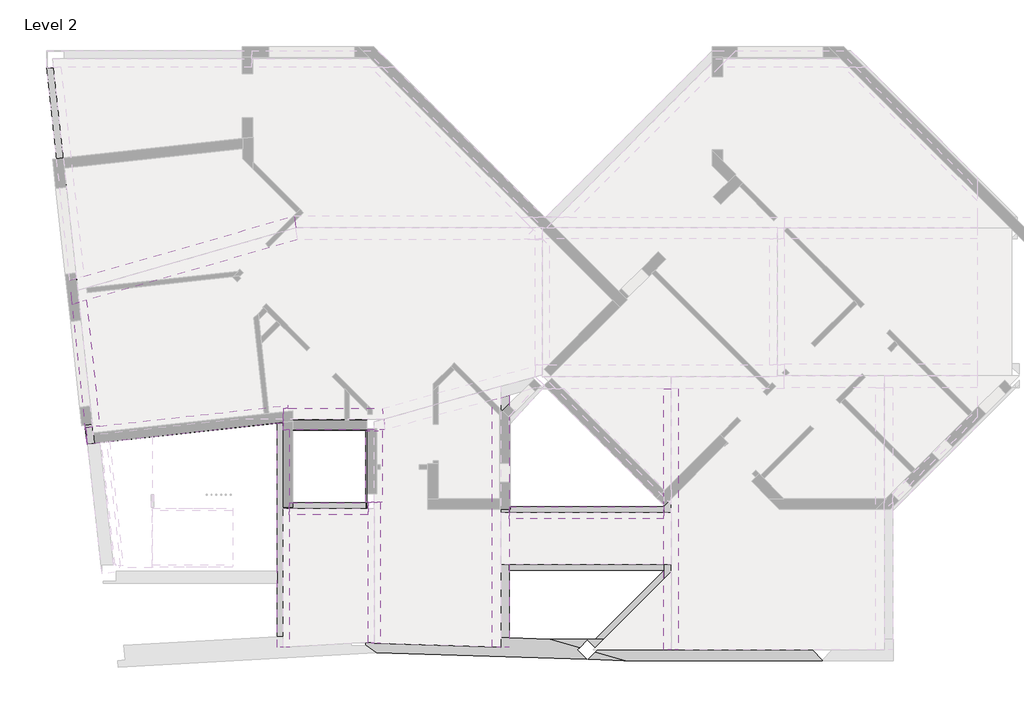
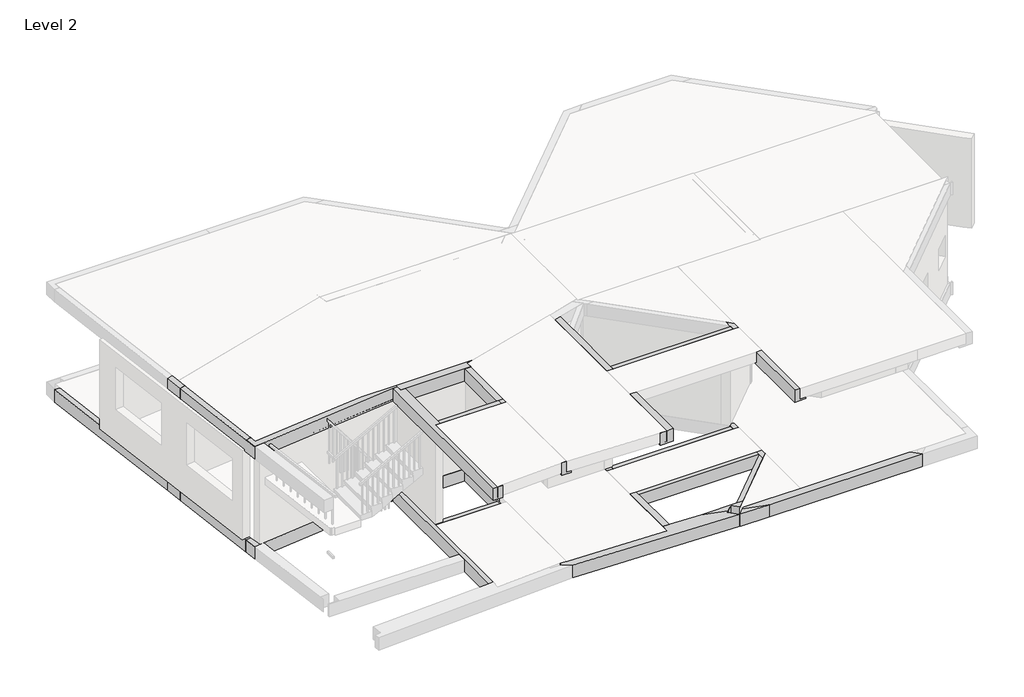
# One storey, part 3 of 5: 27 beams.
"""IFC4 building model written with IfcOpenShell, lengths in millimetres."""

from ifc_helpers import new_model, si_unit, frame, origin, place, context, project, spatial, polyline, outline, extrude, faceted_brep, element, save

model = new_model("IFC4")

# Units and contexts
model_context = context("Model", 3, world=origin())
ifc_project = project(units=[si_unit("LENGTHUNIT", "METRE", prefix="MILLI")], contexts=[model_context])

# Site, building, storey
site = spatial("IfcSite", under=ifc_project)
building = spatial("IfcBuilding", under=site)
storey = spatial("IfcBuildingStorey", under=building, Name="Level 2", Elevation=4250.0)

# Beams
placement = place(None, origin())
element("IfcBeam", 1, ObjectType="Concrete-Rectangular Beam : 250 x 350mm 2", at=placement, inside=storey, context=model_context, shape_type="Brep", body=[
    faceted_brep([(4889.0, -7749.0, 4250.0), (4779.7197329, -7749.0, 4250.0), (4779.7197329, -7594.5403157, 4250.0), (4639.0, -7609.9892601, 4250.0), (4639.0, -10707.0, 4250.0), (4639.0, -10957.0, 4250.0), (4639.0, -12075.9701133, 4250.0), (4764.0, -12069.0124413, 4250.0), (4764.0, -9394.0, 4250.0), (4889.0, -9394.0, 4250.0), (4889.0, -9269.0, 4250.0), (4639.0, -12075.9701133, 3900.0), (4639.0, -7609.9892601, 3900.0), (4639.0, -10707.0, 3900.0), (4639.0, -10957.0, 3900.0), (4779.7197329, -7749.0, 3900.0), (4889.0, -7749.0, 3900.0), (4889.0, -9269.0, 3900.0), (4889.0, -9519.0, 3900.0), (4889.0, -12062.0547694, 3900.0), (4779.7197329, -7594.5403157, 3900.0), (4889.0, -9394.0, 3950.0), (4889.0, -9519.0, 3950.0), (4889.0, -12062.0547694, 3950.0), (4764.0, -12069.0124413, 3950.0), (4764.0, -9394.0, 3950.0)], [[[0, 1, 2, 3, 4, 5, 6, 7, 8, 9, 10]], [[11, 6, 5, 4, 3, 12, 13, 14]], [[15, 16, 17, 18, 19, 11, 14, 13, 12, 20]], [[16, 0, 10, 9, 21, 22, 23, 19, 18, 17]], [[15, 1, 0, 16]], [[6, 11, 19, 23, 24, 7]], [[3, 2, 20, 12]], [[1, 15, 20, 2]], [[21, 25, 24, 23, 22]], [[25, 8, 7, 24]], [[8, 25, 21, 9]]]),
    faceted_brep([(4779.7197329, -7538.9174845, 4250.0), (4779.7197329, -7538.9174845, 3900.0), (4779.7197329, -7523.5, 3900.0), (4779.7197329, -7523.5, 3950.0), (4779.7197329, -7524.0, 3950.0), (4779.7197329, -7524.0, 4250.0), (4778.0820138, -7524.0, 4250.0), (4778.0820138, -7524.0, 3950.0), (4778.0271212, -7523.5, 3950.0), (4778.0271212, -7523.5, 3900.0)], [[[0, 1, 2, 3, 4, 5]], [[1, 0, 6, 7, 8, 9]], [[0, 5, 6]], [[2, 1, 9]], [[2, 9, 8, 3]], [[7, 4, 3, 8]], [[4, 7, 6, 5]]]),
])
element("IfcBeam", 2, ObjectType="Concrete-Rectangular Beam : 250 x 350mm 2", at=placement, inside=storey, context=model_context, shape_type="SweptSolid", body=[
    extrude(outline(polyline([(6789.0, -12013.9651964), (6539.0, -12006.0891511), (6539.0, -9519.0), (6789.0, -9519.0), (6789.0, -12013.9651964)])), frame((0.0, 0.0, 3900.0), z_axis=(0.0, 0.0, 1.0), x_axis=(1.0, 0.0, 0.0)), (0.0, 0.0, 1.0), 50.0),
])
element("IfcBeam", 3, ObjectType="Concrete-Rectangular Beam : 250 x 350mm 2", at=placement, inside=storey, context=model_context, shape_type="SweptSolid", body=[
    extrude(outline(polyline([(-9269.0, 3900.0), (-9519.0, 3900.0), (-9519.0, 3950.0), (-9394.0, 3950.0), (-9394.0, 4250.0), (-9269.0, 4250.0), (-9269.0, 3900.0)])), frame((4889.0, 0.0, 0.0), z_axis=(1.0, 0.0, 0.0), x_axis=(0.0, 1.0, 0.0)), (0.0, 0.0, 1.0), 1600.0),
])
element("IfcBeam", 4, ObjectType="Concrete-Rectangular Beam : 250 x 350mm 2", at=placement, inside=storey, context=model_context, shape_type="SweptSolid", body=[
    extrude(outline(polyline([(-10681.5, 3900.0), (-10681.5, 4250.0), (-10556.5, 4250.0), (-10556.5, 3950.0), (-10431.5, 3950.0), (-10431.5, 3900.0), (-10681.5, 3900.0)])), frame((9491.0, 0.0, 0.0), z_axis=(1.0, 0.0, 0.0), x_axis=(0.0, 1.0, 0.0)), (0.0, 0.0, 1.0), 3240.0),
])
element("IfcBeam", 5, ObjectType="Concrete-Rectangular Beam : 250 x 350mm 2", at=placement, inside=storey, context=model_context, shape_type="SweptSolid", body=[
    extrude(outline(polyline([(-9358.0, 3900.0), (-9608.0, 3900.0), (-9608.0, 3950.0), (-9483.0, 3950.0), (-9483.0, 4250.0), (-9358.0, 4250.0), (-9358.0, 3900.0)])), frame((9491.0, 0.0, 0.0), z_axis=(1.0, 0.0, 0.0), x_axis=(0.0, 1.0, 0.0)), (0.0, 0.0, 1.0), 3240.0),
])
element("IfcBeam", 6, ObjectType="Concrete-Rectangular Beam : 250 x 350mm 2", at=placement, inside=storey, context=model_context, shape_type="Brep", body=[
    faceted_brep([(12731.0, -10690.5282898, 4250.0), (11295.1125705, -12125.7521853, 4250.0), (11471.9301343, -12125.7521853, 4250.0), (12731.0, -10867.2641449, 4250.0), (11648.7476981, -12125.7521853, 3900.0), (12731.0, -11044.0, 3900.0), (12731.0, -11044.0, 3950.0), (11648.7476981, -12125.7521853, 3950.0), (11295.1125705, -12125.7521853, 3900.0), (12731.0, -10690.5282898, 3900.0), (11471.9301343, -12125.7521853, 3950.0), (12731.0, -10867.2641449, 3950.0)], [[[0, 1, 2, 3]], [[4, 5, 6, 7]], [[4, 8, 9, 5]], [[8, 1, 0, 9]], [[8, 4, 7, 10, 2, 1]], [[5, 9, 0, 3, 11, 6]], [[11, 10, 7, 6]], [[10, 11, 3, 2]]]),
])
element("IfcBeam", 7, ObjectType="Concrete-Rectangular Beam : 250 x 350mm 2", at=placement, inside=storey, context=model_context, shape_type="Brep", body=[
    faceted_brep([(4639.0, -12294.360718, 7100.0), (4639.0, -12294.360718, 6750.0), (4889.0, -12294.360718, 6750.0), (4889.0, -12294.360718, 7100.0), (4764.0, -12294.360718, 7100.0), (4889.0, -12287.4030461, 7100.0), (4639.0, -7609.9892601, 7100.0), (4639.0, -7609.9892601, 6750.0), (4764.0, -7596.2661098, 6750.0), (4764.0, -7749.0, 6750.0), (4889.0, -7749.0, 6750.0), (4889.0, -9269.0, 6750.0), (4889.0, -9519.0, 6750.0), (4889.0, -7749.0, 7100.0), (4889.0, -9269.0, 7100.0), (4889.0, -9394.0, 7100.0), (4889.0, -9394.0, 6800.0), (4889.0, -9519.0, 6800.0), (4889.0, -12287.4030461, 6800.0), (4764.0, -7749.0, 7100.0), (4764.0, -9394.0, 6800.0), (4764.0, -12294.360718, 6800.0), (4764.0, -9394.0, 7100.0), (4764.0, -7596.2661098, 7100.0)], [[[0, 1, 2, 3, 4]], [[4, 3, 5]], [[1, 0, 6, 7]], [[2, 1, 7, 8, 9, 10, 11, 12]], [[3, 2, 12, 11, 10, 13, 14, 15, 16, 17, 18, 5]], [[19, 13, 10, 9]], [[20, 21, 18, 17, 16]], [[21, 20, 22, 4]], [[22, 20, 16, 15]], [[21, 4, 5, 18]], [[13, 19, 23, 6, 0, 4, 22, 15, 14]], [[19, 9, 8, 23]], [[7, 6, 23, 8]]]),
    faceted_brep([(4889.0, -7299.0, 6800.0), (4889.0, -7255.4934309, 6800.0), (4855.5020869, -7255.4934309, 6800.0), (4860.2784645, -7299.0, 6800.0), (4889.0, -7299.0, 6750.0), (4860.2784645, -7299.0, 6750.0), (4889.0, -7255.4934309, 6750.0), (4855.5020869, -7255.4934309, 6750.0)], [[[0, 1, 2, 3]], [[4, 0, 3, 5]], [[1, 6, 7, 2]], [[4, 6, 1, 0]], [[7, 5, 3, 2]], [[6, 4, 5, 7]]]),
])
element("IfcBeam", 8, ObjectType="Concrete-Rectangular Beam : 250 x 350mm 2", at=placement, inside=storey, context=model_context, shape_type="Brep", body=[
    faceted_brep([(6539.0, -12210.1264005, 7100.0), (6539.0, -12210.1264005, 6750.0), (6789.0, -12210.1264005, 6750.0), (6789.0, -12210.1264005, 6800.0), (6664.0, -12210.1264005, 6800.0), (6664.0, -12210.1264005, 7100.0), (6664.0, -12188.6041043, 7100.0), (6539.0, -12195.5617762, 7100.0), (6539.0, -12195.5617762, 6800.0), (6539.0, -9519.0, 6800.0), (6539.0, -9394.0, 6800.0), (6539.0, -9394.0, 7100.0), (6539.0, -9269.0, 7100.0), (6539.0, -9258.5, 7100.0), (6539.0, -9258.5, 6750.0), (6539.0, -9269.0, 6750.0), (6539.0, -9519.0, 6750.0), (6789.0, -9258.5, 6750.0), (6789.0, -9258.5, 6800.0), (6664.0, -12188.6041043, 6800.0), (6664.0, -9258.5, 6800.0), (6664.0, -9394.0, 6800.0), (6664.0, -9394.0, 7100.0), (6664.0, -9258.5, 7100.0)], [[[0, 1, 2, 3, 4, 5]], [[6, 7, 0, 5]], [[1, 0, 7, 8, 9, 10, 11, 12, 13, 14, 15, 16]], [[2, 1, 16, 15, 14, 17]], [[2, 17, 18, 3]], [[8, 19, 4, 3, 18, 20, 21, 10, 9]], [[4, 19, 6, 5]], [[19, 8, 7, 6]], [[10, 21, 22, 11]], [[13, 12, 11, 22, 23]], [[21, 20, 23, 22]], [[17, 14, 13, 23, 20, 18]]]),
])
element("IfcBeam", 9, ObjectType="Concrete-Rectangular Beam : 250 x 350mm 2", at=placement, inside=storey, context=model_context, shape_type="SweptSolid", body=[
    extrude(outline(polyline([(-9269.0, 6750.0), (-9519.0, 6750.0), (-9519.0, 6800.0), (-9394.0, 6800.0), (-9394.0, 7100.0), (-9269.0, 7100.0), (-9269.0, 6750.0)])), frame((4889.0, 0.0, 0.0), z_axis=(1.0, 0.0, 0.0), x_axis=(0.0, 1.0, 0.0)), (0.0, 0.0, 1.0), 1650.0),
])
element("IfcBeam", 10, ObjectType="Concrete-Rectangular Beam : 250 x 350mm 2", at=placement, inside=storey, context=model_context, shape_type="SweptSolid", body=[
    extrude(outline(polyline([(-9358.0, 6750.0), (-9608.0, 6750.0), (-9608.0, 6800.0), (-9483.0, 6800.0), (-9483.0, 7100.0), (-9358.0, 7100.0), (-9358.0, 6750.0)])), frame((9491.0, 0.0, 0.0), z_axis=(1.0, 0.0, 0.0), x_axis=(0.0, 1.0, 0.0)), (0.0, 0.0, 1.0), 3240.0),
])
element("IfcBeam", 11, ObjectType="Concrete-Rectangular Beam : 300 x 350mm 2", at=placement, inside=storey, context=model_context, shape_type="Brep", body=[
    faceted_brep([(351.0384916, -5120.9435341, 4250.0), (623.5222487, -7698.7263788, 4250.0), (772.6275926, -7682.3568184, 4250.0), (497.4328384, -5078.9270798, 4250.0), (921.7329365, -7665.987258, 3900.0), (643.8271851, -5036.9106255, 3900.0), (643.8271851, -5036.9106255, 3950.0), (921.7329365, -7665.987258, 3950.0), (623.5222487, -7698.7263788, 3900.0), (351.0384916, -5120.9435341, 3900.0), (660.3142177, -8046.7900859, 3900.0), (660.3142177, -8046.7900859, 4250.0), (772.6275926, -7682.3568184, 3950.0), (497.4328384, -5078.9270798, 3950.0), (661.7175789, -8046.6360176, 3900.0), (661.7175789, -8046.6360176, 4250.0)], [[[0, 1, 2, 3]], [[4, 5, 6, 7]], [[4, 8, 9, 5]], [[0, 9, 8, 10, 11, 1]], [[8, 4, 7, 12, 2, 1]], [[5, 9, 0, 3, 13, 6]], [[11, 10, 14, 15]], [[8, 1, 15, 14]], [[1, 11, 15]], [[10, 8, 14]], [[13, 12, 7, 6]], [[12, 13, 3, 2]]]),
])
element("IfcBeam", 12, ObjectType="Concrete-Rectangular Beam : 300 x 350mm 2", at=placement, inside=storey, context=model_context, shape_type="Brep", body=[
    faceted_brep([(-175.0, -159.0, 4250.0), (-190.5522388, -159.0, 4250.0), (299.0182391, -4615.6877743, 4250.0), (445.3083128, -4573.7012474, 4250.0), (-37.8923018, -175.0, 4250.0), (-175.0, -175.0, 4250.0), (591.5983865, -4531.7147204, 3900.0), (113.0100232, -175.0, 3900.0), (113.0100232, -175.0, 3950.0), (591.5983865, -4531.7147204, 3950.0), (-175.0, -175.0, 3900.0), (590.4601369, -4532.0414079, 3900.0), (299.0182391, -4615.6877743, 3900.0), (-190.5522388, -159.0, 3900.0), (-175.0, -159.0, 3900.0), (-37.8923018, -175.0, 3950.0), (445.3083128, -4573.7012474, 3950.0)], [[[0, 1, 2, 3, 4, 5]], [[6, 7, 8, 9]], [[10, 7, 6, 11, 12, 13, 14]], [[1, 13, 12, 2]], [[13, 1, 0, 14]], [[7, 10, 5, 4, 15, 8]], [[2, 12, 11, 6, 9, 16, 3]], [[5, 10, 14, 0]], [[15, 16, 9, 8]], [[16, 15, 4, 3]]]),
])
element("IfcBeam", 13, ObjectType="Concrete-Rectangular Beam : 300 x 350mm 2", at=placement, inside=storey, context=model_context, shape_type="Brep", body=[
    faceted_brep([(12881.0, -9300.7766953, 4250.0), (12731.0, -9150.7766953, 4250.0), (12731.0, -9327.5533906, 4250.0), (12731.0, -9358.0, 4250.0), (12731.0, -9483.0, 4250.0), (12881.0, -9483.0, 4250.0), (13031.0, -12125.7521853, 3900.0), (13031.0, -6888.0, 3900.0), (13031.0, -6888.0, 3950.0), (13031.0, -12125.7521853, 3950.0), (12731.0, -6888.0, 3900.0), (12731.0, -12125.7521853, 3900.0), (12731.0, -11044.0, 3900.0), (12731.0, -10690.5282898, 3900.0), (12731.0, -10681.5, 3900.0), (12731.0, -10431.5, 3900.0), (12731.0, -9608.0, 3900.0), (12731.0, -9358.0, 3900.0), (12731.0, -9327.5533906, 3900.0), (12731.0, -8974.0, 3900.0), (12731.0, -12125.7521853, 3950.0), (12731.0, -11044.0, 3950.0), (12731.0, -10867.2641449, 3950.0), (12731.0, -10867.2641449, 4250.0), (12731.0, -10690.5282898, 4250.0), (12731.0, -10681.5, 4250.0), (12731.0, -10556.5, 4250.0), (12731.0, -10556.5, 3950.0), (12731.0, -10431.5, 3950.0), (12731.0, -9608.0, 3950.0), (12731.0, -9483.0, 3950.0), (12731.0, -9150.7766953, 3950.0), (12731.0, -8974.0, 3950.0), (12731.0, -6888.0, 3950.0), (12881.0, -9300.7766953, 3950.0), (12881.0, -9483.0, 3950.0), (12881.0, -10556.5, 3950.0), (12881.0, -10717.333461, 3950.0), (12881.0, -10556.5, 4250.0), (12881.0, -10717.333461, 4250.0)], [[[0, 1, 2, 3, 4, 5]], [[6, 7, 8, 9]], [[10, 7, 6, 11, 12, 13, 14, 15, 16, 17, 18, 19]], [[10, 19, 18, 17, 16, 15, 14, 13, 12, 11, 20, 21, 22, 23, 24, 25, 26, 27, 28, 29, 30, 4, 3, 2, 1, 31, 32, 33]], [[7, 10, 33, 8]], [[11, 6, 9, 20]], [[31, 34, 35, 30, 29, 28, 27, 36, 37, 22, 21, 20, 9, 8, 33, 32]], [[34, 31, 1, 0]], [[36, 27, 26, 38]], [[30, 35, 5, 4]], [[22, 37, 39, 23]], [[37, 36, 38, 39]], [[38, 26, 25, 24, 23, 39]], [[35, 34, 0, 5]]]),
])
element("IfcBeam", 14, ObjectType="Concrete-Rectangular Beam : 300 x 350mm 2", at=placement, inside=storey, context=model_context, shape_type="Brep", body=[
    faceted_brep([(630.4174119, -7697.9693919, 7100.0), (631.3840831, -7697.8632657, 7100.0), (772.6275926, -7682.3568184, 7100.0), (497.4328384, -5078.9270798, 7100.0), (351.0384916, -5120.9435341, 7100.0), (660.3142177, -8046.7900859, 7100.0), (669.5794133, -8045.7729045, 7100.0), (921.7329365, -7665.987258, 6800.0), (921.7329365, -7665.987258, 6750.0), (643.8271851, -5036.9106255, 6750.0), (643.8271851, -5036.9106255, 6800.0), (351.0384916, -5120.9435341, 6750.0), (631.3840831, -7697.8632657, 6750.0), (630.4174119, -7697.9693919, 6750.0), (669.5794133, -8045.7729045, 6750.0), (660.3142177, -8046.7900859, 6750.0), (772.6275926, -7682.3568184, 6800.0), (497.4328384, -5078.9270798, 6800.0)], [[[0, 1, 2, 3, 4, 5, 6]], [[7, 8, 9, 10]], [[11, 9, 8, 12, 13, 14, 15]], [[15, 5, 4, 11]], [[0, 13, 12, 8, 7, 16, 2, 1]], [[9, 11, 4, 3, 17, 10]], [[16, 7, 10, 17]], [[3, 2, 16, 17]], [[5, 15, 14, 6]], [[13, 0, 6, 14]]]),
])
element("IfcBeam", 15, ObjectType="Concrete-Rectangular Beam : 300 x 350mm 2", at=placement, inside=storey, context=model_context, shape_type="Brep", body=[
    faceted_brep([(12731.0, -12350.7521853, 7100.0), (12731.0, -12350.7521853, 6750.0), (13031.0, -12350.7521853, 6750.0), (13031.0, -12350.7521853, 6800.0), (12881.0, -12350.7521853, 6800.0), (12881.0, -12350.7521853, 7100.0), (12881.0, -9300.7766953, 7100.0), (12731.0, -9150.7766953, 7100.0), (12731.0, -9327.5533906, 7100.0), (12731.0, -9358.0, 7100.0), (12731.0, -9483.0, 7100.0), (12881.0, -9483.0, 7100.0), (13031.0, -6888.0, 6750.0), (13031.0, -6888.0, 6800.0), (12731.0, -9608.0, 6750.0), (12731.0, -9358.0, 6750.0), (12731.0, -9327.5533906, 6750.0), (12731.0, -8974.0, 6750.0), (12731.0, -6888.0, 6750.0), (12731.0, -10556.5, 7100.0), (12731.0, -10556.5, 6800.0), (12731.0, -9608.0, 6800.0), (12731.0, -9483.0, 6800.0), (12731.0, -9150.7766953, 6800.0), (12731.0, -8974.0, 6800.0), (12731.0, -6888.0, 6800.0), (12881.0, -9300.7766953, 6800.0), (12881.0, -9483.0, 6800.0), (12881.0, -10556.5, 6800.0), (12881.0, -10556.5, 7100.0)], [[[0, 1, 2, 3, 4, 5]], [[6, 7, 8, 9, 10, 11]], [[2, 12, 13, 3]], [[2, 1, 14, 15, 16, 17, 18, 12]], [[1, 0, 19, 20, 21, 22, 10, 9, 8, 7, 23, 24, 25, 18, 17, 16, 15, 14]], [[12, 18, 25, 13]], [[23, 26, 27, 22, 21, 20, 28, 4, 3, 13, 25, 24]], [[26, 23, 7, 6]], [[28, 20, 19, 29]], [[22, 27, 11, 10]], [[4, 28, 29, 5]], [[29, 19, 0, 5]], [[27, 26, 6, 11]]]),
])
element("IfcBeam", 16, ObjectType="Concrete-Rectangular Beam : 350 x 350mm 2", at=placement, inside=storey, context=model_context, shape_type="Brep", body=[
    faceted_brep([(623.5222487, -7698.7263788, 4250.0), (661.7175789, -8046.6360176, 4250.0), (669.5794133, -8045.7729045, 4250.0), (918.0872574, -8018.4904204, 4250.0), (4639.0, -7609.9892601, 4250.0), (4779.7197329, -7594.5403157, 4250.0), (4779.7197329, -7538.9174845, 4250.0), (4778.0820138, -7524.0, 4250.0), (3818.6508279, -7524.0, 4250.0), (791.0235771, -7856.3886719, 4250.0), (772.6275926, -7682.3568184, 4250.0), (661.7175789, -8046.6360176, 3900.0), (669.5794133, -8045.7729045, 3900.0), (918.0872574, -8018.4904204, 3900.0), (4639.0, -7609.9892601, 3900.0), (4779.7197329, -7594.5403157, 3900.0), (623.5222487, -7698.7263788, 3900.0), (921.7329365, -7665.987258, 3900.0), (4614.0, -7260.6309694, 3900.0), (4614.0, -7523.5, 3900.0), (4778.0271212, -7523.5, 3900.0), (4779.7197329, -7538.9174845, 3900.0), (772.6275926, -7682.3568184, 3950.0), (921.7329365, -7665.987258, 3950.0), (4614.0, -7260.6309694, 3950.0), (4778.0271212, -7523.5, 3950.0), (4778.0820138, -7524.0, 3950.0), (4614.0, -7523.5, 3950.0), (791.0235771, -7856.3886719, 3950.0), (3818.6508279, -7524.0, 3950.0)], [[[0, 1, 2, 3, 4, 5, 6, 7, 8, 9, 10]], [[1, 11, 12, 13, 14, 15, 5, 4, 3, 2]], [[11, 16, 17, 18, 19, 20, 21, 15, 14, 13, 12]], [[16, 0, 10, 22, 23, 24, 18, 17]], [[0, 16, 11, 1]], [[6, 21, 20, 25, 26, 7]], [[6, 5, 15, 21]], [[19, 18, 24, 27]], [[20, 19, 27, 25]], [[28, 29, 26, 25, 27, 24, 23, 22]], [[29, 8, 7, 26]], [[29, 28, 9, 8]], [[9, 28, 22, 10]]]),
])
element("IfcBeam", 17, ObjectType="Concrete-Rectangular Beam : 350 x 350mm 2", at=placement, inside=storey, context=model_context, shape_type="Brep", body=[
    faceted_brep([(6514.0, -9394.0, 4250.0), (6514.0, -9083.5, 4250.0), (6664.0, -9083.5, 4250.0), (6664.0, -7749.0, 4250.0), (6489.0, -7749.0, 4250.0), (6489.0, -9269.0, 4250.0), (6489.0, -9394.0, 4250.0), (6489.0, -7749.0, 3900.0), (6489.0, -9269.0, 3900.0), (6489.0, -9519.0, 3900.0), (6489.0, -9519.0, 3950.0), (6489.0, -9394.0, 3950.0), (6690.2170503, -7749.0, 3900.0), (6690.2170503, -7723.5, 3900.0), (6709.598477, -7723.5, 3900.0), (6729.5645215, -7794.8295851, 3900.0), (6839.0, -7764.1972237, 3900.0), (6839.0, -9519.0, 3900.0), (6789.0, -9519.0, 3900.0), (6539.0, -9519.0, 3900.0), (6814.0, -9083.5, 3900.0), (6514.0, -9083.5, 3900.0), (6514.0, -9433.5, 3900.0), (6814.0, -9433.5, 3900.0), (6839.0, -7764.1972237, 3950.0), (6839.0, -9519.0, 3950.0), (6664.0, -7749.0, 3950.0), (6690.2170503, -7749.0, 3950.0), (6729.5645215, -7794.8295851, 3950.0), (6814.0, -9083.5, 3950.0), (6664.0, -9083.5, 3950.0), (6514.0, -9394.0, 3950.0), (6514.0, -9433.5, 3950.0), (6814.0, -9433.5, 3950.0), (6789.0, -9519.0, 3950.0), (6539.0, -9519.0, 3950.0), (6690.2170503, -7723.5, 3950.0), (6709.598477, -7723.5, 3950.0)], [[[0, 1, 2, 3, 4, 5, 6]], [[4, 7, 8, 9, 10, 11, 6, 5]], [[7, 12, 13, 14, 15, 16, 17, 18, 19, 9, 8], [20, 21, 22, 23]], [[17, 16, 24, 25]], [[7, 4, 3, 26, 27, 12]], [[16, 15, 28, 24]], [[1, 21, 20, 29, 30, 2]], [[21, 1, 0, 31, 32, 22]], [[20, 23, 33, 29]], [[9, 19, 18, 17, 25, 34, 35, 10]], [[23, 22, 32, 33]], [[13, 12, 27, 36]], [[15, 14, 37, 28]], [[14, 13, 36, 37]], [[31, 11, 10, 35, 34, 25, 24, 28, 37, 36, 27, 26, 30, 29, 33, 32]], [[11, 31, 0, 6]], [[30, 26, 3, 2]]]),
])
element("IfcBeam", 18, ObjectType="Concrete-Rectangular Beam : 350 x 350mm 2", at=placement, inside=storey, context=model_context, shape_type="Brep", body=[
    faceted_brep([(9316.0, -12093.576263, 4250.0), (9491.0, -12099.0894948, 4250.0), (9491.0, -10681.5, 4250.0), (9491.0, -10556.5, 4250.0), (9316.0, -10556.5, 4250.0), (9491.0, -7021.8692012, 3900.0), (9491.0, -7021.8692012, 4250.0), (9491.0, -7463.4091473, 4250.0), (9491.0, -7640.5, 4250.0), (9491.0, -9358.0, 4250.0), (9491.0, -9483.0, 4250.0), (9491.0, -9483.0, 3950.0), (9491.0, -9608.0, 3950.0), (9491.0, -10431.5, 3950.0), (9491.0, -10556.5, 3950.0), (9491.0, -12099.0894948, 3900.0), (9491.0, -10681.5, 3900.0), (9491.0, -10431.5, 3900.0), (9491.0, -9608.0, 3900.0), (9491.0, -9358.0, 3900.0), (9491.0, -7640.5, 3900.0), (9491.0, -7463.4091473, 3900.0), (9141.0, -7119.8385858, 3900.0), (9141.0, -12088.0630312, 3900.0), (9141.0, -12088.0630312, 3950.0), (9141.0, -7119.8385858, 3950.0), (9316.0, -7070.8538935, 3950.0), (9316.0, -7070.8538935, 4250.0), (9316.0, -12093.576263, 3950.0), (9316.0, -10556.5, 3950.0), (9316.0, -9483.0, 3950.0), (9316.0, -9483.0, 4250.0)], [[[0, 1, 2, 3, 4]], [[5, 6, 7, 8, 9, 10, 11, 12, 13, 14, 3, 2, 1, 15, 16, 17, 18, 19, 20, 21]], [[22, 5, 21, 20, 19, 18, 17, 16, 15, 23]], [[22, 23, 24, 25]], [[6, 5, 22, 25, 26, 27]], [[15, 1, 0, 28, 24, 23]], [[25, 24, 28, 29, 14, 13, 12, 11, 30, 26]], [[27, 26, 30, 31]], [[14, 29, 4, 3]], [[30, 11, 10, 31]], [[6, 27, 31, 10, 9, 8, 7]], [[28, 0, 4, 29]]]),
])
element("IfcBeam", 19, ObjectType="Concrete-Rectangular Beam : 350 x 350mm 2", at=placement, inside=storey, context=model_context, shape_type="Brep", body=[
    faceted_brep([(631.3840831, -7697.8632657, 7100.0), (669.5794133, -8045.7729045, 7100.0), (918.0872574, -8018.4904204, 7100.0), (4639.0, -7609.9892601, 7100.0), (4764.0, -7596.2661098, 7100.0), (4764.0, -7524.0, 7100.0), (3818.6508279, -7524.0, 7100.0), (791.0235771, -7856.3886719, 7100.0), (772.6275926, -7682.3568184, 7100.0), (669.5794133, -8045.7729045, 6750.0), (918.0872574, -8018.4904204, 6750.0), (4639.0, -7609.9892601, 6750.0), (4764.0, -7596.2661098, 6750.0), (631.3840831, -7697.8632657, 6750.0), (921.7329365, -7665.987258, 6750.0), (4853.1832865, -7234.3721837, 6750.0), (4855.5020869, -7255.4934309, 6750.0), (4860.2784645, -7299.0, 6750.0), (4764.0, -7299.0, 6750.0), (772.6275926, -7682.3568184, 6800.0), (921.7329365, -7665.987258, 6800.0), (4853.1832865, -7234.3721837, 6800.0), (4860.2784645, -7299.0, 6800.0), (4764.0, -7299.0, 6800.0), (791.0235771, -7856.3886719, 6800.0), (3818.6508279, -7524.0, 6800.0), (4764.0, -7524.0, 6800.0), (4855.5020869, -7255.4934309, 6800.0)], [[[0, 1, 2, 3, 4, 5, 6, 7, 8]], [[1, 9, 10, 11, 12, 4, 3, 2]], [[13, 14, 15, 16, 17, 18, 12, 11, 10, 9]], [[15, 14, 13, 0, 8, 19, 20, 21]], [[18, 17, 22, 23]], [[24, 25, 26, 23, 22, 27, 21, 20, 19]], [[25, 6, 5, 26]], [[25, 24, 7, 6]], [[7, 24, 19, 8]], [[0, 13, 9, 1]], [[17, 16, 15, 21, 27, 22]], [[4, 12, 18, 23, 26, 5]]]),
])
element("IfcBeam", 20, ObjectType="Concrete-Rectangular Beam : 350 x 350mm 2", at=placement, inside=storey, context=model_context, shape_type="Brep", body=[
    faceted_brep([(6839.0, -7761.7, 6750.0), (6489.0, -7761.7, 6750.0), (6489.0, -7761.7, 7100.0), (6664.0, -7761.7, 7100.0), (6664.0, -7761.7, 6800.0), (6839.0, -7761.7, 6800.0), (6489.0, -9258.5, 7100.0), (6539.0, -9258.5, 7100.0), (6664.0, -9258.5, 7100.0), (6489.0, -9258.5, 6750.0), (6839.0, -9258.5, 6750.0), (6789.0, -9258.5, 6750.0), (6539.0, -9258.5, 6750.0), (6839.0, -9258.5, 6800.0), (6664.0, -9258.5, 6800.0), (6789.0, -9258.5, 6800.0)], [[[0, 1, 2, 3, 4, 5]], [[2, 6, 7, 8, 3]], [[2, 1, 9, 6]], [[1, 0, 10, 11, 12, 9]], [[10, 0, 5, 13]], [[4, 14, 15, 13, 5]], [[14, 4, 3, 8]], [[6, 9, 12, 11, 10, 13, 15, 14, 8, 7]]]),
])
element("IfcBeam", 21, ObjectType="Concrete-Rectangular Beam : 350 x 350mm 2", at=placement, inside=storey, context=model_context, shape_type="Brep", body=[
    faceted_brep([(9141.0, -12293.6754897, 7100.0), (9141.0, -12293.6754897, 6750.0), (9491.0, -12293.6754897, 6750.0), (9491.0, -12293.6754897, 7100.0), (9316.0, -12293.6754897, 7100.0), (9141.0, -12288.162258, 7100.0), (9491.0, -9608.0, 6750.0), (9491.0, -9358.0, 6750.0), (9491.0, -7640.5, 6750.0), (9491.0, -7463.4091473, 6750.0), (9491.0, -7021.8692012, 6750.0), (9491.0, -7021.8692012, 7100.0), (9491.0, -7463.4091473, 7100.0), (9491.0, -7640.5, 7100.0), (9491.0, -9358.0, 7100.0), (9491.0, -9483.0, 7100.0), (9491.0, -9483.0, 6800.0), (9491.0, -9608.0, 6800.0), (9491.0, -10556.5, 6800.0), (9491.0, -10556.5, 7100.0), (9141.0, -7119.8385858, 6750.0), (9141.0, -12288.162258, 6800.0), (9141.0, -7119.8385858, 6800.0), (9316.0, -7070.8538935, 6800.0), (9316.0, -7070.8538935, 7100.0), (9316.0, -12293.6754897, 6800.0), (9316.0, -10556.5, 6800.0), (9316.0, -9483.0, 6800.0), (9316.0, -9483.0, 7100.0), (9316.0, -10556.5, 7100.0)], [[[0, 1, 2, 3, 4]], [[0, 4, 5]], [[3, 2, 6, 7, 8, 9, 10, 11, 12, 13, 14, 15, 16, 17, 18, 19]], [[2, 1, 20, 10, 9, 8, 7, 6]], [[1, 0, 5, 21, 22, 20]], [[11, 10, 20, 22, 23, 24]], [[22, 21, 25, 26, 18, 17, 16, 27, 23]], [[24, 23, 27, 28]], [[18, 26, 29, 19]], [[27, 16, 15, 28]], [[25, 4, 29, 26]], [[4, 25, 21, 5]], [[11, 24, 28, 15, 14, 13, 12]], [[4, 3, 19, 29]]]),
])
element("IfcBeam", 22, ObjectType="Concrete-Rectangular Beam : 400 x 350mm 2", at=placement, inside=storey, context=model_context, shape_type="Brep", body=[
    faceted_brep([(11918.1139103, -12575.7521853, 4250.0), (11294.5302535, -12398.2381858, 4250.0), (11141.4833637, -12551.2850756, 4250.0), (11918.1139103, -12575.7521853, 3900.0), (11141.4833637, -12551.2850756, 3900.0), (11294.5302535, -12398.2381858, 3900.0)], [[[0, 1, 2]], [[3, 0, 2, 4]], [[5, 3, 4]], [[2, 1, 5, 4]], [[0, 3, 5, 1]]]),
    faceted_brep([(10337.3222749, -12125.7521853, 4250.0), (10337.3222749, -12125.7521853, 3900.0), (9491.0, -12099.0894948, 3900.0), (9141.0, -12088.0630312, 3900.0), (6789.0, -12013.9651964, 3900.0), (6539.0, -12006.0891511, 3900.0), (6489.0, -12004.513942, 3900.0), (6489.0, -12004.513942, 3950.0), (6539.0, -12006.0891511, 3950.0), (6789.0, -12013.9651964, 3950.0), (9141.0, -12088.0630312, 3950.0), (9316.0, -12093.576263, 3950.0), (9316.0, -12093.576263, 4250.0), (9491.0, -12099.0894948, 4250.0), (10964.2782083, -12304.2261623, 4250.0), (10964.2782083, -12304.2261623, 3900.0), (6489.0, -12254.2897599, 3900.0), (6489.0, -12254.2897599, 4250.0), (6489.0, -12198.344845, 4250.0), (6489.0, -12198.344845, 3950.0), (10917.7521853, -12350.7521853, 4250.0), (10917.7521853, -12350.7521853, 3900.0), (11117.530459, -12550.530459, 4250.0), (11117.530459, -12550.530459, 3900.0), (9316.0, -12293.6754897, 4250.0), (6664.0, -12210.1264005, 4250.0), (6664.0, -12188.6041043, 4250.0), (6706.7548891, -12411.572585, 4250.0), (6706.7548891, -12411.572585, 3900.0), (6664.0, -12188.6041043, 3950.0), (6664.0, -12210.1264005, 3950.0), (9316.0, -12293.6754897, 3950.0)], [[[0, 1, 2, 3, 4, 5, 6, 7, 8, 9, 10, 11, 12, 13]], [[1, 0, 14, 15]], [[6, 16, 17, 18, 19, 7]], [[20, 21, 15, 14]], [[21, 20, 22, 23]], [[20, 14, 0, 13, 12, 24, 25, 26, 18, 17, 27, 22]], [[27, 28, 23, 22]], [[16, 6, 5, 4, 3, 2, 1, 15, 21, 23, 28]], [[28, 27, 17, 16]], [[29, 19, 18, 26]], [[19, 29, 30, 31, 11, 10, 9, 8, 7]], [[31, 24, 12, 11]], [[31, 30, 25, 24]], [[25, 30, 29, 26]]]),
    faceted_brep([(6127.4194087, -11993.1226414, 3900.0), (6189.0, -12037.6018695, 3900.0), (6189.0, -12037.6018695, 3950.0), (6127.4194087, -11993.1226414, 3950.0), (6189.0, -11995.0626876, 3900.0), (6189.0, -11995.0626876, 3950.0)], [[[0, 1, 2, 3]], [[1, 4, 5, 2]], [[1, 0, 4]], [[4, 0, 3, 5]], [[3, 2, 5]]]),
])
element("IfcBeam", 23, ObjectType="Concrete-Rectangular Beam : 450 x 350mm 2", at=placement, inside=storey, context=model_context, shape_type="Brep", body=[
    faceted_brep([(6514.0, -7723.5, 4250.0), (6514.0, -7524.0, 4250.0), (4779.7197329, -7524.0, 4250.0), (4779.7197329, -7538.9174845, 4250.0), (4779.7197329, -7594.5403157, 4250.0), (4779.7197329, -7749.0, 4250.0), (4889.0, -7749.0, 4250.0), (6489.0, -7749.0, 4250.0), (6664.0, -7749.0, 4250.0), (6664.0, -7723.5, 4250.0), (4779.7197329, -7749.0, 3900.0), (4889.0, -7749.0, 3900.0), (6489.0, -7749.0, 3900.0), (6690.2170503, -7749.0, 3900.0), (6690.2170503, -7749.0, 3950.0), (6664.0, -7749.0, 3950.0), (4779.7197329, -7594.5403157, 3900.0), (4779.7197329, -7538.9174845, 3900.0), (4779.7197329, -7523.5, 3900.0), (4914.0, -7523.5, 3900.0), (4914.0, -7299.0, 3900.0), (6690.2170503, -7299.0, 3900.0), (6690.2170503, -7338.5468675, 3900.0), (6690.2170503, -7423.5, 3900.0), (6514.0, -7423.5, 3900.0), (6514.0, -7723.5, 3900.0), (6690.2170503, -7723.5, 3900.0), (4914.0, -7299.0, 3950.0), (6690.2170503, -7299.0, 3950.0), (4779.7197329, -7524.0, 3950.0), (4779.7197329, -7523.5, 3950.0), (6690.2170503, -7723.5, 3950.0), (4914.0, -7523.5, 3950.0), (6690.2170503, -7423.5, 3950.0), (6514.0, -7423.5, 3950.0), (6514.0, -7524.0, 3950.0), (6664.0, -7723.5, 3950.0), (6690.2170503, -7338.5468675, 3950.0)], [[[0, 1, 2, 3, 4, 5, 6, 7, 8, 9]], [[10, 11, 12, 13, 14, 15, 8, 7, 6, 5]], [[13, 12, 11, 10, 16, 17, 18, 19, 20, 21, 22, 23, 24, 25, 26]], [[21, 20, 27, 28]], [[10, 5, 4, 3, 2, 29, 30, 18, 17, 16]], [[13, 26, 31, 14]], [[19, 18, 30, 32]], [[20, 19, 32, 27]], [[24, 23, 33, 34]], [[0, 25, 24, 34, 35, 1]], [[25, 0, 9, 36, 31, 26]], [[23, 22, 21, 28, 37, 33]], [[29, 35, 34, 33, 37, 28, 27, 32, 30]], [[35, 29, 2, 1]], [[36, 15, 14, 31]], [[15, 36, 9, 8]]]),
])
element("IfcBeam", 24, ObjectType="Concrete-Rectangular Beam : 450 x 350mm 2", at=placement, inside=storey, context=model_context, shape_type="Brep", body=[
    faceted_brep([(11918.1139103, -12575.7521853, 4250.0), (16044.8842196, -12575.7521853, 4250.0), (16044.8842196, -12562.8842196, 4250.0), (15832.7521853, -12350.7521853, 4250.0), (12881.0, -12350.7521853, 4250.0), (11342.016254, -12350.7521853, 4250.0), (11294.5302535, -12398.2381858, 4250.0), (11918.1139103, -12575.7521853, 3900.0), (16044.8842196, -12575.7521853, 3900.0), (11294.5302535, -12398.2381858, 3900.0), (11342.016254, -12350.7521853, 3900.0), (11129.8842196, -12138.6201509, 3900.0), (10964.2782083, -12304.2261623, 3900.0), (10337.3222749, -12125.7521853, 3900.0), (11295.1125705, -12125.7521853, 3900.0), (11648.7476981, -12125.7521853, 3900.0), (12731.0, -12125.7521853, 3900.0), (13031.0, -12125.7521853, 3900.0), (16044.8842196, -12125.7521853, 3900.0), (16044.8842196, -12138.6201509, 3900.0), (15832.7521853, -12350.7521853, 3900.0), (16044.8842196, -12562.8842196, 3900.0), (10337.3222749, -12125.7521853, 4250.0), (11295.1125705, -12125.7521853, 4250.0), (11471.9301343, -12125.7521853, 4250.0), (11471.9301343, -12125.7521853, 3950.0), (11648.7476981, -12125.7521853, 3950.0), (12731.0, -12125.7521853, 3950.0), (13031.0, -12125.7521853, 3950.0), (16044.8842196, -12125.7521853, 3950.0), (10964.2782083, -12304.2261623, 4250.0), (11129.8842196, -12138.6201509, 4250.0), (11342.016254, -12350.7521853, 3950.0), (11294.4321826, -12303.1681139, 3950.0), (11294.4321826, -12303.1681139, 4250.0), (16044.8842196, -12138.6201509, 3950.0), (15832.7521853, -12350.7521853, 3950.0), (12881.0, -12350.7521853, 3950.0)], [[[0, 1, 2, 3, 4, 5, 6]], [[1, 0, 7, 8]], [[8, 7, 9, 10, 11, 12, 13, 14, 15, 16, 17, 18, 19, 20, 21]], [[18, 17, 16, 15, 14, 13, 22, 23, 24, 25, 26, 27, 28, 29]], [[22, 13, 12, 30]], [[1, 8, 21, 2]], [[31, 11, 10, 32, 33, 34]], [[11, 31, 30, 12]], [[6, 5, 32, 10, 9]], [[7, 0, 6, 9]], [[20, 19, 35, 36]], [[3, 2, 21, 20, 36]], [[19, 18, 29, 35]], [[36, 35, 29, 28, 27, 26, 25, 33, 32, 37]], [[36, 37, 32, 5, 4, 3]], [[33, 25, 24, 34]], [[22, 30, 31, 34, 24, 23]]]),
])
element("IfcBeam", 25, ObjectType="Concrete-Rectangular Beam : 450 x 350mm 2", at=placement, inside=storey, context=model_context, shape_type="Brep", body=[
    faceted_brep([(4764.0, -7299.0, 6750.0), (4764.0, -7596.2661098, 6750.0), (4764.0, -7749.0, 6750.0), (4764.0, -7749.0, 7100.0), (4764.0, -7596.2661098, 7100.0), (4764.0, -7524.0, 7100.0), (4764.0, -7524.0, 6800.0), (4764.0, -7299.0, 6800.0), (6862.3963801, -7524.0, 7100.0), (4889.0, -7749.0, 7100.0), (6664.0, -7749.0, 7100.0), (6664.0, -7579.5336322, 7100.0), (4889.0, -7749.0, 6750.0), (6893.2927601, -7749.0, 6750.0), (6893.2927601, -7749.0, 6800.0), (6664.0, -7749.0, 6800.0), (4860.2784645, -7299.0, 6750.0), (4889.0, -7299.0, 6750.0), (6831.5, -7299.0, 6750.0), (4860.2784645, -7299.0, 6800.0), (4889.0, -7299.0, 6800.0), (6831.5, -7299.0, 6800.0), (6862.3963801, -7524.0, 6800.0), (6664.0, -7579.5336322, 6800.0)], [[[0, 1, 2, 3, 4, 5, 6, 7]], [[8, 5, 4, 3, 9, 10, 11]], [[3, 2, 12, 13, 14, 15, 10, 9]], [[2, 1, 0, 16, 17, 18, 13, 12]], [[18, 17, 16, 0, 7, 19, 20, 21]], [[6, 22, 21, 20, 19, 7]], [[22, 6, 5, 8]], [[22, 23, 15, 14]], [[23, 11, 10, 15]], [[11, 23, 22, 8]], [[13, 18, 21, 22, 14]]]),
])
element("IfcBeam", 26, ObjectType="Concrete-Rectangular Beam : 500 x 350mm 2", at=placement, inside=storey, context=model_context, shape_type="Brep", body=[
    faceted_brep([(297.6714434, -4616.0743164, 4250.0), (351.0384916, -5120.9435341, 4250.0), (497.4328384, -5078.9270798, 4250.0), (485.2731186, -4963.892271, 4250.0), (365.9858014, -4976.5015009, 4250.0), (329.1941317, -4628.4406254, 4250.0), (449.9196411, -4615.6793719, 4250.0), (445.3083128, -4573.7012474, 4250.0), (299.0182391, -4615.6877743, 4250.0), (351.0384916, -5120.9435341, 3900.0), (643.8271851, -5036.9106255, 3900.0), (5061.960036, -3768.8679656, 3900.0), (5061.960036, -3768.8679656, 3950.0), (643.8271851, -5036.9106255, 3950.0), (497.4328384, -5078.9270798, 3950.0), (4991.6275883, -3268.8679656, 3900.0), (5000.5978105, -3332.6381208, 3900.0), (4814.3679656, -3518.8679656, 3900.0), (5026.5, -3731.0, 3900.0), (5052.917349, -3704.582651, 3900.0), (297.6714434, -4616.0743164, 3900.0), (299.0182391, -4615.6877743, 3900.0), (591.5983865, -4531.7147204, 3900.0), (627.5320249, -4596.9049085, 3900.0), (329.1941317, -4628.4406254, 3900.0), (365.9858014, -4976.5015009, 3900.0), (664.3236947, -4944.965784, 3900.0), (445.3083128, -4573.7012474, 3950.0), (591.5983865, -4531.7147204, 3950.0), (4991.6275883, -3268.8679656, 3950.0), (5000.5978105, -3332.6381208, 3950.0), (627.5320249, -4596.9049085, 3950.0), (449.9196411, -4615.6793719, 3950.0), (485.2731186, -4963.892271, 3950.0), (664.3236947, -4944.965784, 3950.0), (4814.3679656, -3518.8679656, 3950.0), (5026.5, -3731.0, 3950.0), (5052.917349, -3704.582651, 3950.0)], [[[0, 1, 2, 3, 4, 5, 6, 7, 8]], [[9, 10, 11, 12, 13, 14, 2, 1]], [[15, 16, 17, 18, 19, 11, 10, 9, 20, 21, 22], [23, 24, 25, 26]], [[15, 22, 21, 20, 0, 8, 7, 27, 28, 29]], [[16, 15, 29, 30]], [[24, 23, 31, 32, 6, 5]], [[26, 25, 4, 3, 33, 34]], [[23, 26, 34, 31]], [[17, 16, 30, 35]], [[18, 17, 35, 36]], [[19, 18, 36, 37]], [[11, 19, 37, 12]], [[1, 0, 20, 9]], [[4, 25, 24, 5]], [[27, 32, 31, 34, 33, 14, 13, 12, 37, 36, 35, 30, 29, 28]], [[32, 27, 7, 6]], [[14, 33, 3, 2]]]),
])
element("IfcBeam", 27, ObjectType="Concrete-Rectangular Beam : 500 x 350mm 2", at=placement, inside=storey, context=model_context, shape_type="Brep", body=[
    faceted_brep([(473.006454, -4825.8446522, 7100.0), (445.3083128, -4573.7012474, 7100.0), (299.0182391, -4615.6877743, 7100.0), (297.6714434, -4616.0743164, 7100.0), (351.0384916, -5120.9435341, 7100.0), (497.4328384, -5078.9270798, 7100.0), (470.7493143, -4826.492471, 7100.0), (351.0384916, -5120.9435341, 6750.0), (643.8271851, -5036.9106255, 6750.0), (5061.960036, -3768.8679656, 6750.0), (5061.960036, -3768.8679656, 6800.0), (643.8271851, -5036.9106255, 6800.0), (497.4328384, -5078.9270798, 6800.0), (4991.6275883, -3268.8679656, 6750.0), (297.6714434, -4616.0743164, 6750.0), (299.0182391, -4615.6877743, 6750.0), (591.5983865, -4531.7147204, 6750.0), (445.3083128, -4573.7012474, 6800.0), (591.5983865, -4531.7147204, 6800.0), (4991.6275883, -3268.8679656, 6800.0), (473.006454, -4825.8446522, 6800.0), (470.7493143, -4826.492471, 6800.0)], [[[0, 1, 2, 3, 4, 5, 6]], [[7, 8, 9, 10, 11, 12, 5, 4]], [[13, 9, 8, 7, 14, 15, 16]], [[17, 18, 19, 13, 16, 15, 14, 3, 2, 1]], [[17, 20, 21, 12, 11, 10, 19, 18]], [[20, 17, 1, 0]], [[21, 6, 5, 12]], [[6, 21, 20, 0]], [[9, 13, 19, 10]], [[4, 3, 14, 7]]]),
])

save(model, "model.ifc")
